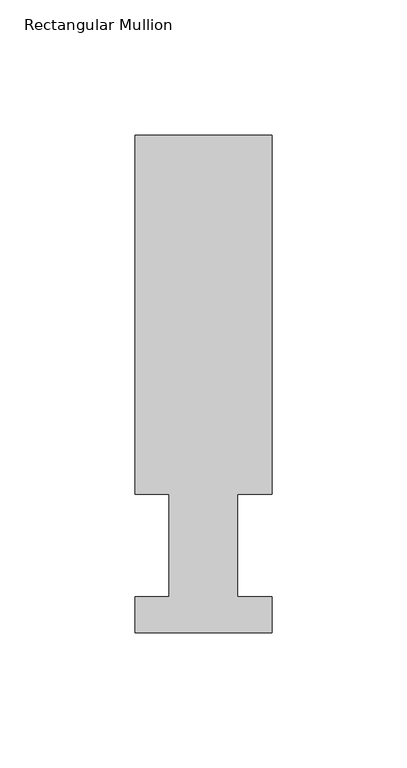
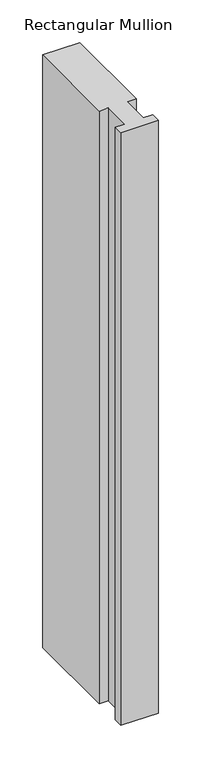
"""IFC4 building model written with IfcOpenShell, lengths in millimetres: member geometry, Rectangular Mullion."""

from ifc_helpers import new_model, si_unit, frame, origin, place, context, project, spatial, polyline, outline, extrude, source, transform, mapped, element, save


def rectangular_mullion_6413466b(model_context):
    return source(origin(), model_context, "Body", "SweptSolid", [
        extrude(outline(polyline([(25.4, 51.2960937), (12.7, 51.2960937), (12.7, 13.1966802), (25.4, 13.1966802), (25.4, 0.0134937), (-25.4, 0.0134937), (-25.4, 13.1960938), (-12.7, 13.1960938), (-12.7, 51.2960937), (-25.4, 51.2960937), (-25.4, 184.2396938), (25.4, 184.2396938), (25.4, 51.2960937)])), frame((0.0, 0.0, -850.9), z_axis=(0.0, 0.0, 1.0), x_axis=(1.0, 0.0, 0.0)), (0.0, 0.0, 1.0), 850.9),
    ])


if __name__ == "__main__":
    model = new_model("IFC4")
    model_context = context("Model", 3, world=origin())
    ifc_project = project(units=[si_unit("LENGTHUNIT", "METRE", prefix="MILLI")], contexts=[model_context])
    site = spatial("IfcSite", under=ifc_project)
    building = spatial("IfcBuilding", under=site)
    placement = place(None, origin())
    rectangular_mullion_shape = rectangular_mullion_6413466b(model_context)
    element("IfcMember", 1, ObjectType="Rectangular Mullion", at=placement, inside=building, context=model_context, shape_type="MappedRepresentation", body=[
        mapped(rectangular_mullion_shape, transform((0.0, 0.0, 0.0), x_axis=(1.0, 0.0, 0.0), y_axis=(0.0, 1.0, 0.0), z_axis=(0.0, 0.0, 1.0))),
    ])
    save(model, "model.ifc")
